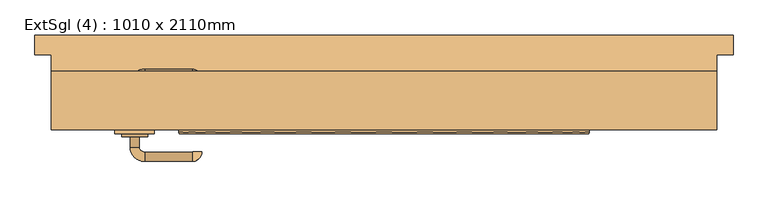
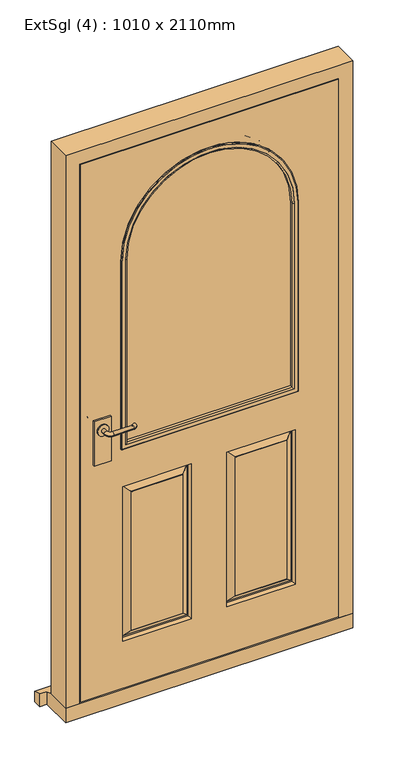
"""IFC4 building model written with IfcOpenShell, lengths in millimetres: door geometry, ExtSgl (4) : 1010 x 2110mm."""

from ifc_helpers import new_model, si_unit, point, frame, frame_2d, origin, place, context, project, spatial, polyline, circle_curve, ellipse_curve, trimmed, segment, composite_curve, outline, extrude, faceted_brep, source, transform, mapped, element, save
from ifc_brep_helpers import plane_surface, cylinder_surface, revolved_surface, advanced_brep


def extsgl_4_1010_x_2110mm_2d8e33de(model_context):
    return source(origin(), model_context, "Body", "SolidModel", [
        extrude(outline(composite_curve([segment(trimmed(circle_curve(frame_2d((1050.0, -378.5)), 20.0), [point((1050.0, -398.5))], [point((1050.0, -358.5))], False, "CARTESIAN"), True, "CONTINUOUS"), segment(trimmed(circle_curve(frame_2d((1050.0, -378.5)), 20.0), [point((1050.0, -358.5))], [point((1050.0, -398.5))], False, "CARTESIAN"), True, "CONTINUOUS")], self_intersect=False)), frame((0.0, -62.5929895, 0.0), z_axis=(0.0, 1.0, 0.0), x_axis=(0.0, 0.0, 1.0)), (0.0, 0.0, 1.0), 4.5929895),
        advanced_brep(
        [(-371.5, -62.5929895, 1050.0), (-385.5, -62.5929895, 1050.0), (-385.5, -78.0, 1050.0), (-371.5, -78.0, 1050.0), (-363.5, -100.0, 1050.0), (-363.5, -86.0, 1050.0), (-291.5, -100.0, 1050.0), (-291.5, -86.0, 1050.0), (-290.5, -85.0, 1050.0), (-276.5, -85.0, 1050.0)],
        [
            (0, 1, circle_curve(frame((-378.5, -62.5929895, 1050.0), z_axis=(0.0, 1.0, 0.0), x_axis=(-1.0, 0.0, 0.0)), 7.0)),
            (1, 0, circle_curve(frame((-378.5, -62.5929895, 1050.0), z_axis=(0.0, 1.0, 0.0), x_axis=(-1.0, 0.0, 0.0)), 7.0)),
            (1, 2),
            (2, 3, circle_curve(frame((-378.5, -78.0, 1050.0), z_axis=(0.0, 1.0, 0.0), x_axis=(-1.0, 0.0, 0.0)), 7.0)),
            (3, 0),
            (3, 2, circle_curve(frame((-378.5, -78.0, 1050.0), z_axis=(0.0, 1.0, 0.0), x_axis=(-1.0, 0.0, 0.0)), 7.0)),
            (4, 5, circle_curve(frame((-363.5, -93.0, 1050.0), z_axis=(-1.0, 0.0, 0.0), x_axis=(0.0, -1.0, 0.0)), 7.0)),
            (5, 3, circle_curve(frame((-363.5, -78.0, 1050.0), z_axis=(0.0, 0.0, -1.0), x_axis=(-1.0, 0.0, 0.0)), 8.0)),
            (2, 4, circle_curve(frame((-363.5, -78.0, 1050.0), z_axis=(0.0, 0.0, 1.0), x_axis=(-1.0, 0.0, 0.0)), 22.0)),
            (5, 4, circle_curve(frame((-363.5, -93.0, 1050.0), z_axis=(-1.0, 0.0, 0.0), x_axis=(0.0, -1.0, 0.0)), 7.0)),
            (4, 6),
            (6, 7, circle_curve(frame((-291.5, -93.0, 1050.0), z_axis=(-1.0, 0.0, 0.0), x_axis=(0.0, -1.0, 0.0)), 7.0)),
            (7, 5),
            (7, 6, circle_curve(frame((-291.5, -93.0, 1050.0), z_axis=(-1.0, 0.0, 0.0), x_axis=(0.0, -1.0, 0.0)), 7.0)),
            (8, 9, circle_curve(frame((-283.5, -85.0, 1050.0), z_axis=(0.0, 1.0, 0.0), x_axis=(1.0, 0.0, 0.0)), 7.0)),
            (9, 8, circle_curve(frame((-283.5, -85.0, 1050.0), z_axis=(0.0, 1.0, 0.0), x_axis=(1.0, 0.0, 0.0)), 7.0)),
            (8, 7, circle_curve(frame((-291.5, -85.0, 1050.0), z_axis=(0.0, 0.0, -1.0), x_axis=(0.0, -1.0, 0.0)), 1.0)),
            (6, 9, circle_curve(frame((-291.5, -85.0, 1050.0), z_axis=(0.0, 0.0, 1.0), x_axis=(0.0, -1.0, 0.0)), 15.0)),
        ],
        [
            plane_surface(frame((-378.5, -62.5929895, 1050.0), z_axis=(0.0, 1.0, 0.0), x_axis=(0.0, 0.0, 1.0))),
            cylinder_surface(frame((-378.5, -62.5929895, 1050.0), z_axis=(0.0, 1.0, 0.0), x_axis=(-1.0, 0.0, 0.0)), 7.0),
            revolved_surface(trimmed(ellipse_curve(frame((-378.5, -78.0, 1050.0), z_axis=(0.0, -1.0, 0.0), x_axis=(-1.0, 0.0, 0.0)), 7.0, 7.0), [point((-371.5, -78.0, 1050.0))], [point((-385.5, -78.0, 1050.0))], True, "CARTESIAN"), (-363.5, -78.0, 1050.0), (0.0, 0.0, -1.0)),
            revolved_surface(trimmed(ellipse_curve(frame((-378.5, -78.0, 1050.0), z_axis=(0.0, -1.0, 0.0), x_axis=(-1.0, 0.0, 0.0)), 7.0, 7.0), [point((-385.5, -78.0, 1050.0))], [point((-371.5, -78.0, 1050.0))], True, "CARTESIAN"), (-363.5, -78.0, 1050.0), (0.0, 0.0, -1.0)),
            cylinder_surface(frame((-363.5, -93.0, 1050.0), z_axis=(-1.0, 0.0, 0.0), x_axis=(0.0, -1.0, 0.0)), 7.0),
            plane_surface(frame((-283.5, -85.0, 1050.0), z_axis=(0.0, 1.0, 0.0), x_axis=(0.0, 0.0, 1.0))),
            revolved_surface(trimmed(ellipse_curve(frame((-291.5, -93.0, 1050.0), z_axis=(1.0, 0.0, 0.0), x_axis=(0.0, -1.0, 0.0)), 7.0, 7.0), [point((-291.5, -86.0, 1050.0))], [point((-291.5, -100.0, 1050.0))], True, "CARTESIAN"), (-291.5, -85.0, 1050.0), (0.0, 0.0, -1.0)),
            revolved_surface(trimmed(ellipse_curve(frame((-291.5, -93.0, 1050.0), z_axis=(1.0, 0.0, 0.0), x_axis=(0.0, -1.0, 0.0)), 7.0, 7.0), [point((-291.5, -100.0, 1050.0))], [point((-291.5, -86.0, 1050.0))], True, "CARTESIAN"), (-291.5, -85.0, 1050.0), (0.0, 0.0, -1.0)),
        ],
        [
            (0, [[1, 2]]),
            (1, [[3, 4, 5, -2]]),
            (1, [[-5, 6, -3, -1]]),
            (2, [[7, 8, -4, 9]]),
            (3, [[10, -9, -6, -8]]),
            (4, [[11, 12, 13, -7]]),
            (4, [[-13, 14, -11, -10]]),
            (5, [[15, 16]]),
            (6, [[-15, 17, -12, 18]]),
            (7, [[-16, -18, -14, -17]]),
        ],
    ),
        extrude(outline(polyline([(-348.5, -52.0), (-348.5, -58.0), (-408.5, -58.0), (-408.5, -52.0), (-348.5, -52.0)])), frame((0.0, 0.0, 925.0), z_axis=(0.0, 0.0, 1.0), x_axis=(1.0, 0.0, 0.0)), (0.0, 0.0, 1.0), 165.0),
        extrude(outline(composite_curve([segment(trimmed(circle_curve(frame_2d((1050.0, -378.5)), 20.0), [point((1050.0, -398.5))], [point((1050.0, -358.5))], False, "CARTESIAN"), True, "CONTINUOUS"), segment(trimmed(circle_curve(frame_2d((1050.0, -378.5)), 20.0), [point((1050.0, -358.5))], [point((1050.0, -398.5))], False, "CARTESIAN"), True, "CONTINUOUS")], self_intersect=False)), frame((0.0, -2.0, 0.0), z_axis=(0.0, 1.0, 0.0), x_axis=(0.0, 0.0, 1.0)), (0.0, 0.0, 1.0), 4.5929895),
        advanced_brep(
        [(-371.5, 2.5929895, 1050.0), (-385.5, 2.5929895, 1050.0), (-371.5, 18.0, 1050.0), (-385.5, 18.0, 1050.0), (-363.5, 40.0, 1050.0), (-363.5, 26.0, 1050.0), (-291.5, 26.0, 1050.0), (-291.5, 40.0, 1050.0), (-290.5, 25.0, 1050.0), (-276.5, 25.0, 1050.0)],
        [
            (0, 1, circle_curve(frame((-378.5, 2.5929895, 1050.0), z_axis=(0.0, -1.0, 0.0), x_axis=(-1.0, 0.0, 0.0)), 7.0)),
            (1, 0, circle_curve(frame((-378.5, 2.5929895, 1050.0), z_axis=(0.0, -1.0, 0.0), x_axis=(-1.0, 0.0, 0.0)), 7.0)),
            (0, 2),
            (2, 3, circle_curve(frame((-378.5, 18.0, 1050.0), z_axis=(0.0, -1.0, 0.0), x_axis=(-1.0, 0.0, 0.0)), 7.0)),
            (3, 1),
            (3, 2, circle_curve(frame((-378.5, 18.0, 1050.0), z_axis=(0.0, -1.0, 0.0), x_axis=(-1.0, 0.0, 0.0)), 7.0)),
            (4, 3, circle_curve(frame((-363.5, 18.0, 1050.0), z_axis=(0.0, 0.0, 1.0), x_axis=(-1.0, 0.0, 0.0)), 22.0)),
            (2, 5, circle_curve(frame((-363.5, 18.0, 1050.0), z_axis=(0.0, 0.0, -1.0), x_axis=(-1.0, 0.0, 0.0)), 8.0)),
            (5, 4, circle_curve(frame((-363.5, 33.0, 1050.0), z_axis=(-1.0, 0.0, 0.0), x_axis=(0.0, 1.0, 0.0)), 7.0)),
            (4, 5, circle_curve(frame((-363.5, 33.0, 1050.0), z_axis=(-1.0, 0.0, 0.0), x_axis=(0.0, 1.0, 0.0)), 7.0)),
            (5, 6),
            (6, 7, circle_curve(frame((-291.5, 33.0, 1050.0), z_axis=(-1.0, 0.0, 0.0), x_axis=(0.0, 1.0, 0.0)), 7.0)),
            (7, 4),
            (7, 6, circle_curve(frame((-291.5, 33.0, 1050.0), z_axis=(-1.0, 0.0, 0.0), x_axis=(0.0, 1.0, 0.0)), 7.0)),
            (8, 9, circle_curve(frame((-283.5, 25.0, 1050.0), z_axis=(0.0, -1.0, 0.0), x_axis=(1.0, 0.0, 0.0)), 7.0)),
            (9, 8, circle_curve(frame((-283.5, 25.0, 1050.0), z_axis=(0.0, -1.0, 0.0), x_axis=(1.0, 0.0, 0.0)), 7.0)),
            (9, 7, circle_curve(frame((-291.5, 25.0, 1050.0), z_axis=(0.0, 0.0, 1.0), x_axis=(0.0, 1.0, 0.0)), 15.0)),
            (6, 8, circle_curve(frame((-291.5, 25.0, 1050.0), z_axis=(0.0, 0.0, -1.0), x_axis=(0.0, 1.0, 0.0)), 1.0)),
        ],
        [
            plane_surface(frame((-378.5, 2.5929895, 1050.0), z_axis=(0.0, -1.0, 0.0), x_axis=(0.0, 0.0, 1.0))),
            cylinder_surface(frame((-378.5, 2.5929895, 1050.0), z_axis=(0.0, -1.0, 0.0), x_axis=(-1.0, 0.0, 0.0)), 7.0),
            revolved_surface(trimmed(ellipse_curve(frame((-378.5, 18.0, 1050.0), z_axis=(0.0, -1.0, 0.0), x_axis=(-1.0, 0.0, 0.0)), 7.0, 7.0), [point((-371.5, 18.0, 1050.0))], [point((-385.5, 18.0, 1050.0))], True, "CARTESIAN"), (-363.5, 18.0, 1050.0), (0.0, 0.0, -1.0)),
            revolved_surface(trimmed(ellipse_curve(frame((-378.5, 18.0, 1050.0), z_axis=(0.0, -1.0, 0.0), x_axis=(-1.0, 0.0, 0.0)), 7.0, 7.0), [point((-385.5, 18.0, 1050.0))], [point((-371.5, 18.0, 1050.0))], True, "CARTESIAN"), (-363.5, 18.0, 1050.0), (0.0, 0.0, -1.0)),
            cylinder_surface(frame((-363.5, 33.0, 1050.0), z_axis=(-1.0, 0.0, 0.0), x_axis=(0.0, 1.0, 0.0)), 7.0),
            plane_surface(frame((-283.5, 25.0, 1050.0), z_axis=(0.0, -1.0, 0.0), x_axis=(0.0, 0.0, 1.0))),
            revolved_surface(trimmed(ellipse_curve(frame((-291.5, 33.0, 1050.0), z_axis=(-1.0, 0.0, 0.0), x_axis=(0.0, 1.0, 0.0)), 7.0, 7.0), [point((-291.5, 26.0, 1050.0))], [point((-291.5, 40.0, 1050.0))], True, "CARTESIAN"), (-291.5, 25.0, 1050.0), (0.0, 0.0, -1.0)),
            revolved_surface(trimmed(ellipse_curve(frame((-291.5, 33.0, 1050.0), z_axis=(-1.0, 0.0, 0.0), x_axis=(0.0, 1.0, 0.0)), 7.0, 7.0), [point((-291.5, 40.0, 1050.0))], [point((-291.5, 26.0, 1050.0))], True, "CARTESIAN"), (-291.5, 25.0, 1050.0), (0.0, 0.0, -1.0)),
        ],
        [
            (0, [[1, 2]]),
            (1, [[-1, 3, 4, 5]]),
            (1, [[-2, -5, 6, -3]]),
            (2, [[7, -4, 8, 9]]),
            (3, [[-8, -6, -7, 10]]),
            (4, [[-9, 11, 12, 13]]),
            (4, [[-10, -13, 14, -11]]),
            (5, [[15, 16]]),
            (6, [[17, -12, 18, -16]]),
            (7, [[-18, -14, -17, -15]]),
        ],
    ),
        extrude(outline(polyline([(-348.5, -8.0), (-408.5, -8.0), (-408.5, -2.0), (-348.5, -2.0), (-348.5, -8.0)])), frame((0.0, 0.0, 925.0), z_axis=(0.0, 0.0, 1.0), x_axis=(1.0, 0.0, 0.0)), (0.0, 0.0, 1.0), 165.0),
        faceted_brep([(434.5, 37.0, 54.5), (505.0, 37.0, 54.5), (505.0, -52.0, 54.5), (456.5, -52.0, 54.5), (456.5, -5.0, 54.5), (434.5, -5.0, 54.5), (434.5, 37.0, 2039.5), (-434.5, 37.0, 2039.5), (-434.5, 37.0, 54.5), (-505.0, 37.0, 54.5), (-505.0, 37.0, 2110.0), (505.0, 37.0, 2110.0), (505.0, -52.0, 2110.0), (-505.0, -52.0, 2110.0), (-505.0, -52.0, 54.5), (-456.5, -52.0, 54.5), (-456.5, -52.0, 2061.5), (456.5, -52.0, 2061.5), (456.5, -5.0, 2061.5), (-456.5, -5.0, 2061.5), (-456.5, -5.0, 54.5), (-434.5, -5.0, 54.5), (-434.5, -5.0, 2039.5), (434.5, -5.0, 2039.5)], [[[0, 1, 2, 3, 4, 5]], [[1, 0, 6, 7, 8, 9, 10, 11]], [[2, 1, 11, 12]], [[3, 2, 12, 13, 14, 15, 16, 17]], [[4, 3, 17, 18]], [[5, 4, 18, 19, 20, 21, 22, 23]], [[0, 5, 23, 6]], [[8, 7, 22, 21]], [[9, 8, 21, 20, 15, 14]], [[10, 9, 14, 13]], [[16, 15, 20, 19]], [[11, 10, 13, 12]], [[17, 16, 19, 18]], [[7, 6, 23, 22]]]),
        extrude(outline(composite_curve([segment(polyline([(958.5, -303.5), (958.5, 303.5), (1655.0, 303.5)]), True, "CONTINUOUS"), segment(trimmed(circle_curve(frame_2d((1655.0, 0.0)), 303.5), [point((1655.0, 303.5))], [point((1655.0, -303.5))], False, "CARTESIAN"), True, "CONTINUOUS"), segment(polyline([(1655.0, -303.5), (958.5, -303.5)]), True, "CONTINUOUS")], self_intersect=False)), frame((0.0, -42.0, 0.0), z_axis=(0.0, 1.0, 0.0), x_axis=(0.0, 0.0, 1.0)), (0.0, 0.0, 1.0), 24.0),
        faceted_brep([(530.0, 92.0, 0.0), (530.0, 92.0, 38.5947221), (530.0, 62.0, 47.2703282), (530.0, 62.0, 0.0), (-530.0, 92.0, 38.5947221), (-530.0, 92.0, 0.0), (-530.0, 62.0, 0.0), (-530.0, 62.0, 47.2703282), (505.0, 62.0, 0.0), (505.0, -52.0, 0.0), (-505.0, -52.0, 0.0), (-505.0, 62.0, 0.0), (-505.0, 62.0, 47.2703282), (-505.0, 37.0, 54.5), (505.0, 37.0, 54.5), (505.0, 62.0, 47.2703282), (-505.0, -52.0, 54.5), (505.0, -52.0, 54.5)], [[[0, 1, 2, 3]], [[4, 5, 6, 7]], [[5, 0, 3, 8, 9, 10, 11, 6]], [[1, 0, 5, 4]], [[1, 4, 7, 12, 13, 14, 15, 2]], [[13, 16, 17, 14]], [[16, 10, 9, 17]], [[12, 11, 10, 16, 13]], [[11, 12, 7, 6]], [[8, 15, 14, 17, 9]], [[15, 8, 3, 2]]]),
        advanced_brep(
        [(453.5, -52.0, 58.5), (453.5, -52.0, 2058.5), (-454.4250294, -52.0, 2058.5), (-454.4250294, -52.0, 58.5), (-303.5, -52.0, 958.5), (-303.5, -52.0, 1655.0), (303.5, -52.0, 1655.0), (303.5, -52.0, 958.5), (-62.5, -52.0, 808.5), (-62.5, -52.0, 233.5), (-303.5, -52.0, 233.5), (-303.5, -52.0, 808.5), (303.5, -52.0, 808.5), (303.5, -52.0, 233.5), (62.5, -52.0, 233.5), (62.5, -52.0, 808.5), (-92.5, -52.0, 263.5), (-92.5, -52.0, 778.5), (-273.5, -52.0, 778.5), (-273.5, -52.0, 263.5), (273.5, -52.0, 263.5), (273.5, -52.0, 778.5), (92.5, -52.0, 778.5), (92.5, -52.0, 263.5), (453.5, -8.0, 58.5), (-454.4250294, -8.0, 58.5), (-454.4250294, -8.0, 2058.5), (453.5, -8.0, 2058.5), (-303.5, -8.0, 958.5), (303.5, -8.0, 958.5), (303.5, -8.0, 1655.0), (-303.5, -8.0, 1655.0), (62.5, -8.0, 808.5), (62.5, -8.0, 233.5), (303.5, -8.0, 233.5), (303.5, -8.0, 808.5), (-303.5, -8.0, 808.5), (-303.5, -8.0, 233.5), (-62.5, -8.0, 233.5), (-62.5, -8.0, 808.5), (92.5, -8.0, 263.5), (92.5, -8.0, 778.5), (273.5, -8.0, 778.5), (273.5, -8.0, 263.5), (-273.5, -8.0, 263.5), (-273.5, -8.0, 778.5), (-92.5, -8.0, 778.5), (-92.5, -8.0, 263.5), (65.5, -23.0, 805.5), (65.5, -23.0, 236.5), (90.5, -9.0, 780.5), (90.5, -9.0, 261.5), (70.5, -23.0, 241.5), (70.5, -23.0, 800.5), (92.5, -9.0, 263.5), (92.5, -9.0, 778.5), (300.5, -23.0, 236.5), (275.5, -9.0, 261.5), (295.5, -23.0, 241.5), (273.5, -9.0, 263.5), (300.5, -23.0, 805.5), (275.5, -9.0, 780.5), (295.5, -23.0, 800.5), (273.5, -9.0, 778.5), (-300.5, -23.0, 805.5), (-300.5, -23.0, 236.5), (-275.5, -9.0, 780.5), (-275.5, -9.0, 261.5), (-295.5, -23.0, 241.5), (-295.5, -23.0, 800.5), (-273.5, -9.0, 263.5), (-273.5, -9.0, 778.5), (-65.5, -23.0, 236.5), (-90.5, -9.0, 261.5), (-70.5, -23.0, 241.5), (-92.5, -9.0, 263.5), (-65.5, -23.0, 805.5), (-90.5, -9.0, 780.5), (-70.5, -23.0, 800.5), (-92.5, -9.0, 778.5), (-92.5, -51.0, 263.5), (-92.5, -51.0, 778.5), (-70.5, -37.0, 241.5), (-70.5, -37.0, 800.5), (-90.5, -51.0, 780.5), (-90.5, -51.0, 261.5), (-65.5, -37.0, 805.5), (-65.5, -37.0, 236.5), (-273.5, -51.0, 778.5), (-295.5, -37.0, 800.5), (-275.5, -51.0, 780.5), (-300.5, -37.0, 805.5), (-273.5, -51.0, 263.5), (-295.5, -37.0, 241.5), (-275.5, -51.0, 261.5), (-300.5, -37.0, 236.5), (300.5, -37.0, 805.5), (300.5, -37.0, 236.5), (275.5, -51.0, 780.5), (275.5, -51.0, 261.5), (295.5, -37.0, 241.5), (295.5, -37.0, 800.5), (273.5, -51.0, 263.5), (273.5, -51.0, 778.5), (65.5, -37.0, 236.5), (90.5, -51.0, 261.5), (70.5, -37.0, 241.5), (92.5, -51.0, 263.5), (65.5, -37.0, 805.5), (90.5, -51.0, 780.5), (70.5, -37.0, 800.5), (92.5, -51.0, 778.5)],
        [
            (0, 1),
            (1, 2),
            (2, 3),
            (3, 0),
            (4, 5),
            (5, 6, circle_curve(frame((0.0, -52.0, 1655.0), z_axis=(0.0, 1.0, 0.0), x_axis=(1.0, 0.0, 0.0)), 303.5)),
            (6, 7),
            (7, 4),
            (8, 9),
            (9, 10),
            (10, 11),
            (11, 8),
            (12, 13),
            (13, 14),
            (14, 15),
            (15, 12),
            (16, 17),
            (17, 18),
            (18, 19),
            (19, 16),
            (20, 21),
            (21, 22),
            (22, 23),
            (23, 20),
            (24, 25),
            (25, 26),
            (26, 27),
            (27, 24),
            (28, 29),
            (29, 30),
            (30, 31, circle_curve(frame((0.0, -8.0, 1655.0), z_axis=(0.0, -1.0, 0.0), x_axis=(1.0, 0.0, 0.0)), 303.5)),
            (31, 28),
            (32, 33),
            (33, 34),
            (34, 35),
            (35, 32),
            (36, 37),
            (37, 38),
            (38, 39),
            (39, 36),
            (40, 41),
            (41, 42),
            (42, 43),
            (43, 40),
            (44, 45),
            (45, 46),
            (46, 47),
            (47, 44),
            (0, 24),
            (27, 1),
            (26, 2),
            (25, 3),
            (4, 28),
            (31, 5),
            (30, 6),
            (29, 7),
            (48, 49),
            (49, 33),
            (32, 48),
            (50, 51),
            (51, 52),
            (52, 53),
            (53, 50),
            (40, 54),
            (54, 55),
            (55, 41),
            (49, 56),
            (56, 34),
            (51, 57),
            (57, 58),
            (58, 52),
            (43, 59),
            (59, 54),
            (56, 60),
            (60, 35),
            (57, 61),
            (61, 62),
            (62, 58),
            (42, 63),
            (63, 59),
            (60, 48),
            (62, 53),
            (61, 50),
            (63, 55),
            (64, 65),
            (65, 37),
            (36, 64),
            (66, 67),
            (67, 68),
            (68, 69),
            (69, 66),
            (44, 70),
            (70, 71),
            (71, 45),
            (65, 72),
            (72, 38),
            (67, 73),
            (73, 74),
            (74, 68),
            (47, 75),
            (75, 70),
            (72, 76),
            (76, 39),
            (73, 77),
            (77, 78),
            (78, 74),
            (46, 79),
            (79, 75),
            (76, 64),
            (78, 69),
            (77, 66),
            (79, 71),
            (80, 81),
            (81, 17),
            (16, 80),
            (82, 83),
            (83, 84),
            (84, 85),
            (85, 82),
            (8, 86),
            (86, 87),
            (87, 9),
            (81, 88),
            (88, 18),
            (83, 89),
            (89, 90),
            (90, 84),
            (11, 91),
            (91, 86),
            (88, 92),
            (92, 19),
            (89, 93),
            (93, 94),
            (94, 90),
            (10, 95),
            (95, 91),
            (92, 80),
            (94, 85),
            (93, 82),
            (95, 87),
            (96, 97),
            (97, 13),
            (12, 96),
            (98, 99),
            (99, 100),
            (100, 101),
            (101, 98),
            (20, 102),
            (102, 103),
            (103, 21),
            (97, 104),
            (104, 14),
            (99, 105),
            (105, 106),
            (106, 100),
            (23, 107),
            (107, 102),
            (104, 108),
            (108, 15),
            (105, 109),
            (109, 110),
            (110, 106),
            (22, 111),
            (111, 107),
            (108, 96),
            (110, 101),
            (109, 98),
            (111, 103),
        ],
        [
            plane_surface(frame((453.5, -52.0, 58.5), z_axis=(0.0, -1.0, 0.0), x_axis=(0.0, 0.0, 1.0))),
            plane_surface(frame((453.5, -8.0, 58.5), z_axis=(0.0, 1.0, 0.0), x_axis=(0.0, 0.0, -1.0))),
            plane_surface(frame((453.5, -52.0, 58.5), z_axis=(1.0, 0.0, 0.0), x_axis=(0.0, 1.0, 0.0))),
            plane_surface(frame((453.5, -52.0, 2058.5), z_axis=(0.0, 0.0, 1.0), x_axis=(0.0, 1.0, 0.0))),
            plane_surface(frame((-454.4250294, -52.0, 2058.5), z_axis=(-1.0, 0.0, 0.0), x_axis=(0.0, 1.0, 0.0))),
            plane_surface(frame((-454.4250294, -52.0, 58.5), z_axis=(0.0, 0.0, -1.0), x_axis=(0.0, 1.0, 0.0))),
            plane_surface(frame((-303.5, -52.0, 958.5), z_axis=(1.0, 0.0, 0.0), x_axis=(0.0, 1.0, 0.0))),
            revolved_surface(polyline([(303.5, -8.0, 1655.0), (303.5, -52.0, 1655.0)]), (0.0, -52.0, 1655.0), (0.0, 1.0, 0.0)),
            plane_surface(frame((303.5, -52.0, 1655.0), z_axis=(-1.0, 0.0, 0.0), x_axis=(0.0, 1.0, 0.0))),
            plane_surface(frame((303.5, -52.0, 958.5), z_axis=(0.0, 0.0, 1.0), x_axis=(0.0, 1.0, 0.0))),
            plane_surface(frame((62.5, -8.0, 808.5), z_axis=(0.9805806756909202, 0.19611613513818407, 0.0), x_axis=(0.0, 0.0, -1.0))),
            plane_surface(frame((70.5, -23.0, 800.5), z_axis=(-0.5734623443633278, 0.8192319205190408, 0.0), x_axis=(0.0, 0.0, -1.0))),
            plane_surface(frame((92.5, -9.0, 778.5), z_axis=(-1.0, 0.0, 0.0), x_axis=(0.0, 0.0, -1.0))),
            plane_surface(frame((62.5, -8.0, 233.5), z_axis=(0.0, 0.19611613513818724, 0.9805806756909196), x_axis=(1.0, 0.0, 0.0))),
            plane_surface(frame((70.5, -23.0, 241.5), z_axis=(0.0, 0.819231920519039, -0.5734623443633305), x_axis=(1.0, 0.0, 0.0))),
            plane_surface(frame((92.5, -9.0, 263.5), z_axis=(0.0, 0.0, -1.0), x_axis=(1.0, 0.0, 0.0))),
            plane_surface(frame((303.5, -8.0, 233.5), z_axis=(-0.9805806756909189, 0.1961161351381904, 0.0), x_axis=(0.0, 0.0, 1.0))),
            plane_surface(frame((295.5, -23.0, 241.5), z_axis=(0.5734623443633332, 0.8192319205190371, 0.0), x_axis=(0.0, 0.0, 1.0))),
            plane_surface(frame((273.5, -9.0, 263.5), z_axis=(1.0, 0.0, 0.0), x_axis=(0.0, 0.0, 1.0))),
            plane_surface(frame((303.5, -8.0, 808.5), z_axis=(0.0, 0.19611613513818724, -0.9805806756909196), x_axis=(-1.0, 0.0, 0.0))),
            plane_surface(frame((300.5, -23.0, 805.5), z_axis=(0.0, 1.0, 0.0), x_axis=(-1.0, 0.0, 0.0))),
            plane_surface(frame((295.5, -23.0, 800.5), z_axis=(0.0, 0.819231920519039, 0.5734623443633305), x_axis=(-1.0, 0.0, 0.0))),
            plane_surface(frame((275.5, -9.0, 780.5), z_axis=(0.0, 1.0, 0.0), x_axis=(-1.0, 0.0, 0.0))),
            plane_surface(frame((273.5, -9.0, 778.5), z_axis=(0.0, 0.0, 1.0), x_axis=(-1.0, 0.0, 0.0))),
            plane_surface(frame((-303.5, -8.0, 808.5), z_axis=(0.9805806756909202, 0.19611613513818407, 0.0), x_axis=(0.0, 0.0, -1.0))),
            plane_surface(frame((-295.5, -23.0, 800.5), z_axis=(-0.5734623443633278, 0.8192319205190408, 0.0), x_axis=(0.0, 0.0, -1.0))),
            plane_surface(frame((-273.5, -9.0, 778.5), z_axis=(-1.0, 0.0, 0.0), x_axis=(0.0, 0.0, -1.0))),
            plane_surface(frame((-303.5, -8.0, 233.5), z_axis=(0.0, 0.19611613513818724, 0.9805806756909196), x_axis=(1.0, 0.0, 0.0))),
            plane_surface(frame((-295.5, -23.0, 241.5), z_axis=(0.0, 0.819231920519039, -0.5734623443633305), x_axis=(1.0, 0.0, 0.0))),
            plane_surface(frame((-273.5, -9.0, 263.5), z_axis=(0.0, 0.0, -1.0), x_axis=(1.0, 0.0, 0.0))),
            plane_surface(frame((-62.5, -8.0, 233.5), z_axis=(-0.9805806756909189, 0.1961161351381904, 0.0), x_axis=(0.0, 0.0, 1.0))),
            plane_surface(frame((-70.5, -23.0, 241.5), z_axis=(0.5734623443633332, 0.8192319205190371, 0.0), x_axis=(0.0, 0.0, 1.0))),
            plane_surface(frame((-92.5, -9.0, 263.5), z_axis=(1.0, 0.0, 0.0), x_axis=(0.0, 0.0, 1.0))),
            plane_surface(frame((-62.5, -8.0, 808.5), z_axis=(0.0, 0.19611613513818724, -0.9805806756909196), x_axis=(-1.0, 0.0, 0.0))),
            plane_surface(frame((-65.5, -23.0, 805.5), z_axis=(0.0, 1.0, 0.0), x_axis=(-1.0, 0.0, 0.0))),
            plane_surface(frame((-70.5, -23.0, 800.5), z_axis=(0.0, 0.819231920519039, 0.5734623443633305), x_axis=(-1.0, 0.0, 0.0))),
            plane_surface(frame((-90.5, -9.0, 780.5), z_axis=(0.0, 1.0, 0.0), x_axis=(-1.0, 0.0, 0.0))),
            plane_surface(frame((-92.5, -9.0, 778.5), z_axis=(0.0, 0.0, 1.0), x_axis=(-1.0, 0.0, 0.0))),
            plane_surface(frame((-92.5, -52.0, 263.5), z_axis=(1.0, 0.0, 0.0), x_axis=(0.0, 0.0, 1.0))),
            plane_surface(frame((-90.5, -51.0, 261.5), z_axis=(0.5734623443633224, -0.8192319205190447, 0.0), x_axis=(0.0, 0.0, 1.0))),
            plane_surface(frame((-65.5, -37.0, 236.5), z_axis=(-0.9805806756909214, -0.1961161351381778, 0.0), x_axis=(0.0, 0.0, 1.0))),
            plane_surface(frame((-92.5, -52.0, 778.5), z_axis=(0.0, 0.0, 1.0), x_axis=(-1.0, 0.0, 0.0))),
            plane_surface(frame((-90.5, -51.0, 780.5), z_axis=(0.0, -0.8192319205190428, 0.5734623443633251), x_axis=(-1.0, 0.0, 0.0))),
            plane_surface(frame((-65.5, -37.0, 805.5), z_axis=(0.0, -0.19611613513818096, -0.9805806756909208), x_axis=(-1.0, 0.0, 0.0))),
            plane_surface(frame((-273.5, -52.0, 778.5), z_axis=(-1.0, 0.0, 0.0), x_axis=(0.0, 0.0, -1.0))),
            plane_surface(frame((-275.5, -51.0, 780.5), z_axis=(-0.5734623443633277, -0.8192319205190409, 0.0), x_axis=(0.0, 0.0, -1.0))),
            plane_surface(frame((-300.5, -37.0, 805.5), z_axis=(0.9805806756909201, -0.19611613513818418, 0.0), x_axis=(0.0, 0.0, -1.0))),
            plane_surface(frame((-273.5, -52.0, 263.5), z_axis=(0.0, 0.0, -1.0), x_axis=(1.0, 0.0, 0.0))),
            plane_surface(frame((-273.5, -51.0, 263.5), z_axis=(0.0, -1.0, 0.0), x_axis=(1.0, 0.0, 0.0))),
            plane_surface(frame((-275.5, -51.0, 261.5), z_axis=(0.0, -0.8192319205190429, -0.573462344363325), x_axis=(1.0, 0.0, 0.0))),
            plane_surface(frame((-295.5, -37.0, 241.5), z_axis=(0.0, -1.0, 0.0), x_axis=(1.0, 0.0, 0.0))),
            plane_surface(frame((-300.5, -37.0, 236.5), z_axis=(0.0, -0.19611613513818107, 0.9805806756909208), x_axis=(1.0, 0.0, 0.0))),
            plane_surface(frame((303.5, -52.0, 808.5), z_axis=(-0.9805806756909202, -0.19611613513818407, 0.0), x_axis=(0.0, 0.0, -1.0))),
            plane_surface(frame((295.5, -37.0, 800.5), z_axis=(0.5734623443633278, -0.8192319205190408, 0.0), x_axis=(0.0, 0.0, -1.0))),
            plane_surface(frame((273.5, -51.0, 778.5), z_axis=(1.0, 0.0, 0.0), x_axis=(0.0, 0.0, -1.0))),
            plane_surface(frame((303.5, -52.0, 233.5), z_axis=(0.0, -0.19611613513818724, 0.9805806756909196), x_axis=(-1.0, 0.0, 0.0))),
            plane_surface(frame((295.5, -37.0, 241.5), z_axis=(0.0, -0.819231920519039, -0.5734623443633305), x_axis=(-1.0, 0.0, 0.0))),
            plane_surface(frame((273.5, -51.0, 263.5), z_axis=(0.0, 0.0, -1.0), x_axis=(-1.0, 0.0, 0.0))),
            plane_surface(frame((62.5, -52.0, 233.5), z_axis=(0.9805806756909189, -0.19611613513819046, 0.0), x_axis=(0.0, 0.0, 1.0))),
            plane_surface(frame((70.5, -37.0, 241.5), z_axis=(-0.5734623443633331, -0.8192319205190371, 0.0), x_axis=(0.0, 0.0, 1.0))),
            plane_surface(frame((92.5, -51.0, 263.5), z_axis=(-1.0, 0.0, 0.0), x_axis=(0.0, 0.0, 1.0))),
            plane_surface(frame((62.5, -52.0, 808.5), z_axis=(0.0, -0.19611613513818735, -0.9805806756909196), x_axis=(1.0, 0.0, 0.0))),
            plane_surface(frame((65.5, -37.0, 805.5), z_axis=(0.0, -1.0, 0.0), x_axis=(1.0, 0.0, 0.0))),
            plane_surface(frame((70.5, -37.0, 800.5), z_axis=(0.0, -0.819231920519039, 0.5734623443633303), x_axis=(1.0, 0.0, 0.0))),
            plane_surface(frame((90.5, -51.0, 780.5), z_axis=(0.0, -1.0, 0.0), x_axis=(1.0, 0.0, 0.0))),
            plane_surface(frame((92.5, -51.0, 778.5), z_axis=(0.0, 0.0, 1.0), x_axis=(1.0, 0.0, 0.0))),
        ],
        [
            (0, [[1, 2, 3, 4], [5, 6, 7, 8], [9, 10, 11, 12], [13, 14, 15, 16]]),
            (0, [[17, 18, 19, 20]]),
            (0, [[21, 22, 23, 24]]),
            (1, [[25, 26, 27, 28], [29, 30, 31, 32], [33, 34, 35, 36], [37, 38, 39, 40]]),
            (1, [[41, 42, 43, 44]]),
            (1, [[45, 46, 47, 48]]),
            (2, [[-1, 49, -28, 50]]),
            (3, [[-2, -50, -27, 51]]),
            (4, [[-3, -51, -26, 52]]),
            (5, [[-4, -52, -25, -49]]),
            (6, [[-5, 53, -32, 54]]),
            (7, [[-6, -54, -31, 55]]),
            (8, [[-7, -55, -30, 56]]),
            (9, [[-8, -56, -29, -53]]),
            (10, [[57, 58, -33, 59]]),
            (11, [[60, 61, 62, 63]]),
            (12, [[64, 65, 66, -41]]),
            (13, [[-58, 67, 68, -34]]),
            (14, [[-61, 69, 70, 71]]),
            (15, [[-64, -44, 72, 73]]),
            (16, [[-68, 74, 75, -35]]),
            (17, [[-70, 76, 77, 78]]),
            (18, [[-72, -43, 79, 80]]),
            (19, [[-59, -36, -75, 81]]),
            (20, [[-57, -81, -74, -67], [-62, -71, -78, 82]]),
            (21, [[-63, -82, -77, 83]]),
            (22, [[-60, -83, -76, -69], [-65, -73, -80, 84]]),
            (23, [[-66, -84, -79, -42]]),
            (24, [[85, 86, -37, 87]]),
            (25, [[88, 89, 90, 91]]),
            (26, [[92, 93, 94, -45]]),
            (27, [[-86, 95, 96, -38]]),
            (28, [[-89, 97, 98, 99]]),
            (29, [[-92, -48, 100, 101]]),
            (30, [[-96, 102, 103, -39]]),
            (31, [[-98, 104, 105, 106]]),
            (32, [[-100, -47, 107, 108]]),
            (33, [[-87, -40, -103, 109]]),
            (34, [[-85, -109, -102, -95], [-90, -99, -106, 110]]),
            (35, [[-91, -110, -105, 111]]),
            (36, [[-88, -111, -104, -97], [-93, -101, -108, 112]]),
            (37, [[-94, -112, -107, -46]]),
            (38, [[113, 114, -17, 115]]),
            (39, [[116, 117, 118, 119]]),
            (40, [[120, 121, 122, -9]]),
            (41, [[-114, 123, 124, -18]]),
            (42, [[-117, 125, 126, 127]]),
            (43, [[-120, -12, 128, 129]]),
            (44, [[-124, 130, 131, -19]]),
            (45, [[-126, 132, 133, 134]]),
            (46, [[-128, -11, 135, 136]]),
            (47, [[-115, -20, -131, 137]]),
            (48, [[-118, -127, -134, 138], [-113, -137, -130, -123]]),
            (49, [[-119, -138, -133, 139]]),
            (50, [[-121, -129, -136, 140], [-116, -139, -132, -125]]),
            (51, [[-122, -140, -135, -10]]),
            (52, [[141, 142, -13, 143]]),
            (53, [[144, 145, 146, 147]]),
            (54, [[148, 149, 150, -21]]),
            (55, [[-142, 151, 152, -14]]),
            (56, [[-145, 153, 154, 155]]),
            (57, [[-148, -24, 156, 157]]),
            (58, [[-152, 158, 159, -15]]),
            (59, [[-154, 160, 161, 162]]),
            (60, [[-156, -23, 163, 164]]),
            (61, [[-143, -16, -159, 165]]),
            (62, [[-141, -165, -158, -151], [-146, -155, -162, 166]]),
            (63, [[-147, -166, -161, 167]]),
            (64, [[-144, -167, -160, -153], [-149, -157, -164, 168]]),
            (65, [[-150, -168, -163, -22]]),
        ],
    ),
        advanced_brep(
        [(311.5, -56.0, 950.5), (311.5, -52.0, 950.5), (311.5, -52.0, 1655.0), (311.5, -56.0, 1655.0), (309.5, -58.0, 952.5), (309.5, -58.0, 1655.0), (291.5, -53.0, 970.5), (296.5, -58.0, 965.5), (296.5, -58.0, 1655.0), (291.5, -53.0, 1655.0), (291.5, -42.0, 970.5), (291.5, -42.0, 1655.0), (303.5, -52.0, 958.5), (303.5, -42.0, 958.5), (303.5, -42.0, 1655.0), (303.5, -52.0, 1655.0), (-311.5, -56.0, 1655.0), (-311.5, -52.0, 1655.0), (-309.5, -58.0, 1655.0), (-309.5, -58.0, 952.5), (-296.5, -58.0, 1655.0), (-296.5, -58.0, 965.5), (-291.5, -53.0, 1655.0), (-291.5, -42.0, 1655.0), (-303.5, -42.0, 1655.0), (-303.5, -42.0, 958.5), (-291.5, -42.0, 970.5), (-303.5, -52.0, 1655.0), (-311.5, -52.0, 950.5), (-303.5, -52.0, 958.5), (-311.5, -56.0, 950.5), (-291.5, -53.0, 970.5)],
        [
            (0, 1),
            (1, 2),
            (2, 3),
            (3, 0),
            (4, 0, ellipse_curve(frame((309.5, -56.0, 952.5), z_axis=(0.707106781186543, 0.0, 0.707106781186552), x_axis=(0.707106781186552, 0.0, -0.707106781186543)), 2.8284271, 2.0)),
            (3, 5, circle_curve(frame((309.5, -56.0, 1655.0), z_axis=(0.0, 0.0, -1.0), x_axis=(1.0, 0.0, 0.0)), 2.0)),
            (5, 4),
            (6, 7, ellipse_curve(frame((296.5, -53.0, 965.5), z_axis=(0.707106781186543, 0.0, 0.707106781186552), x_axis=(0.707106781186552, 0.0, -0.707106781186543)), 7.0710678, 5.0)),
            (7, 8),
            (8, 9, circle_curve(frame((296.5, -53.0, 1655.0), z_axis=(0.0, 0.0, -1.0), x_axis=(1.0, 0.0, 0.0)), 5.0)),
            (9, 6),
            (10, 6),
            (9, 11),
            (11, 10),
            (12, 13),
            (13, 14),
            (14, 15),
            (15, 12),
            (16, 3, circle_curve(frame((0.0, -56.0, 1655.0), z_axis=(0.0, 1.0, 0.0), x_axis=(1.0, 0.0, 0.0)), 311.5)),
            (2, 17, circle_curve(frame((0.0, -52.0, 1655.0), z_axis=(0.0, -1.0, 0.0), x_axis=(1.0, 0.0, 0.0)), 311.5)),
            (17, 16),
            (18, 5, circle_curve(frame((0.0, -58.0, 1655.0), z_axis=(0.0, 1.0, 0.0), x_axis=(1.0, 0.0, 0.0)), 309.5)),
            (16, 18, circle_curve(frame((-309.5, -56.0, 1655.0), z_axis=(0.0, 0.0, 1.0), x_axis=(-1.0, 0.0, 0.0)), 2.0)),
            (18, 19),
            (19, 4),
            (20, 8, circle_curve(frame((0.0, -58.0, 1655.0), z_axis=(0.0, 1.0, 0.0), x_axis=(1.0, 0.0, 0.0)), 296.5)),
            (7, 21),
            (21, 20),
            (22, 9, circle_curve(frame((0.0, -53.0, 1655.0), z_axis=(0.0, 1.0, 0.0), x_axis=(1.0, 0.0, 0.0)), 291.5)),
            (20, 22, circle_curve(frame((-296.5, -53.0, 1655.0), z_axis=(0.0, 0.0, 1.0), x_axis=(-1.0, 0.0, 0.0)), 5.0)),
            (23, 11, circle_curve(frame((0.0, -42.0, 1655.0), z_axis=(0.0, 1.0, 0.0), x_axis=(1.0, 0.0, 0.0)), 291.5)),
            (22, 23),
            (24, 14, circle_curve(frame((0.0, -42.0, 1655.0), z_axis=(0.0, 1.0, 0.0), x_axis=(1.0, 0.0, 0.0)), 303.5)),
            (13, 25),
            (25, 24),
            (23, 26),
            (26, 10),
            (27, 15, circle_curve(frame((0.0, -52.0, 1655.0), z_axis=(0.0, 1.0, 0.0), x_axis=(1.0, 0.0, 0.0)), 303.5)),
            (24, 27),
            (1, 28),
            (28, 17),
            (27, 29),
            (29, 12),
            (28, 30),
            (30, 16),
            (30, 19, ellipse_curve(frame((-309.5, -56.0, 952.5), z_axis=(-0.7071067811865519, 0.0, 0.707106781186543), x_axis=(0.7071067811865429, 0.0, 0.707106781186552)), 2.8284271, 2.0)),
            (21, 31, ellipse_curve(frame((-296.5, -53.0, 965.5), z_axis=(-0.7071067811865519, 0.0, 0.707106781186543), x_axis=(0.7071067811865429, 0.0, 0.707106781186552)), 7.0710678, 5.0)),
            (31, 22),
            (31, 26),
            (25, 29),
            (0, 30),
            (6, 31),
        ],
        [
            plane_surface(frame((311.5, -52.0, 950.5), z_axis=(1.0, 0.0, 0.0), x_axis=(0.0, 0.0, 1.0))),
            cylinder_surface(frame((309.5, -56.0, 958.5), z_axis=(0.0, 0.0, -1.0), x_axis=(1.0, 0.0, 0.0)), 2.0),
            cylinder_surface(frame((296.5, -53.0, 958.5), z_axis=(0.0, 0.0, -1.0), x_axis=(1.0, 0.0, 0.0)), 5.0),
            plane_surface(frame((291.5, -53.0, 970.5), z_axis=(-1.0, 0.0, 0.0), x_axis=(0.0, 0.0, 1.0))),
            plane_surface(frame((303.5, -42.0, 958.5), z_axis=(1.0, 0.0, 0.0), x_axis=(0.0, 0.0, 1.0))),
            cylinder_surface(frame((0.0, -52.0, 1655.0), z_axis=(0.0, -1.0, 0.0), x_axis=(1.0, 0.0, 0.0)), 311.5),
            revolved_surface(trimmed(ellipse_curve(frame((309.5, -56.0, 1655.0), z_axis=(0.0, 0.0, -1.0), x_axis=(1.0, 0.0, 0.0)), 2.0, 2.0), [point((311.5, -56.0, 1655.0))], [point((309.5, -58.0, 1655.0))], True, "CARTESIAN"), (0.0, -52.0, 1655.0), (0.0, -1.0, 0.0)),
            plane_surface(frame((0.0, -58.0, 1655.0), z_axis=(0.0, -1.0, 0.0), x_axis=(1.0, 0.0, 0.0))),
            revolved_surface(trimmed(ellipse_curve(frame((296.5, -53.0, 1655.0), z_axis=(0.0, 0.0, -1.0), x_axis=(1.0, 0.0, 0.0)), 5.0, 5.0), [point((296.5, -58.0, 1655.0))], [point((291.5, -53.0, 1655.0))], True, "CARTESIAN"), (0.0, -52.0, 1655.0), (0.0, -1.0, 0.0)),
            revolved_surface(polyline([(291.5, -53.0, 1655.0), (291.5, -42.0, 1655.0)]), (0.0, -52.0, 1655.0), (0.0, -1.0, 0.0)),
            plane_surface(frame((0.0, -42.0, 1655.0), z_axis=(0.0, 1.0, 0.0), x_axis=(1.0, 0.0, 0.0))),
            cylinder_surface(frame((0.0, -52.0, 1655.0), z_axis=(0.0, -1.0, 0.0), x_axis=(1.0, 0.0, 0.0)), 303.5),
            plane_surface(frame((0.0, -52.0, 1655.0), z_axis=(0.0, 1.0, 0.0), x_axis=(1.0, 0.0, 0.0))),
            plane_surface(frame((-311.5, -52.0, 1655.0), z_axis=(-1.0, 0.0, 0.0), x_axis=(0.0, 0.0, -1.0))),
            cylinder_surface(frame((-309.5, -56.0, 1655.0), z_axis=(0.0, 0.0, 1.0), x_axis=(-1.0, 0.0, 0.0)), 2.0),
            cylinder_surface(frame((-296.5, -53.0, 1655.0), z_axis=(0.0, 0.0, 1.0), x_axis=(-1.0, 0.0, 0.0)), 5.0),
            plane_surface(frame((-291.5, -53.0, 1655.0), z_axis=(1.0, 0.0, 0.0), x_axis=(0.0, 0.0, -1.0))),
            plane_surface(frame((-303.5, -42.0, 1655.0), z_axis=(-1.0, 0.0, 0.0), x_axis=(0.0, 0.0, -1.0))),
            plane_surface(frame((-311.5, -52.0, 950.5), z_axis=(0.0, 0.0, -1.0), x_axis=(1.0, 0.0, 0.0))),
            cylinder_surface(frame((-303.5, -56.0, 952.5), z_axis=(-1.0, 0.0, 0.0), x_axis=(0.0, 0.0, -1.0)), 2.0),
            cylinder_surface(frame((-303.5, -53.0, 965.5), z_axis=(-1.0, 0.0, 0.0), x_axis=(0.0, 0.0, -1.0)), 5.0),
            plane_surface(frame((-291.5, -53.0, 970.5), z_axis=(0.0, 0.0, 1.0), x_axis=(1.0, 0.0, 0.0))),
            plane_surface(frame((-303.5, -42.0, 958.5), z_axis=(0.0, 0.0, -1.0), x_axis=(1.0, 0.0, 0.0))),
        ],
        [
            (0, [[1, 2, 3, 4]]),
            (1, [[5, -4, 6, 7]]),
            (2, [[8, 9, 10, 11]]),
            (3, [[12, -11, 13, 14]]),
            (4, [[15, 16, 17, 18]]),
            (5, [[19, -3, 20, 21]]),
            (6, [[22, -6, -19, 23]]),
            (7, [[24, 25, -7, -22], [26, -9, 27, 28]]),
            (8, [[29, -10, -26, 30]]),
            (9, [[31, -13, -29, 32]]),
            (10, [[33, -16, 34, 35], [36, 37, -14, -31]]),
            (11, [[38, -17, -33, 39]]),
            (12, [[-20, -2, 40, 41], [42, 43, -18, -38]]),
            (13, [[-21, -41, 44, 45]]),
            (14, [[-23, -45, 46, -24]]),
            (15, [[-30, -28, 47, 48]]),
            (16, [[-32, -48, 49, -36]]),
            (17, [[-39, -35, 50, -42]]),
            (18, [[-44, -40, -1, 51]]),
            (19, [[-46, -51, -5, -25]]),
            (20, [[-47, -27, -8, 52]]),
            (21, [[-49, -52, -12, -37]]),
            (22, [[-50, -34, -15, -43]]),
        ],
    ),
        advanced_brep(
        [(-311.5, -4.0, 950.5), (-311.5, -8.0, 950.5), (-311.5, -8.0, 1655.0), (-311.5, -4.0, 1655.0), (-309.5, -2.0, 952.5), (-309.5, -2.0, 1655.0), (-291.5, -7.0, 970.5), (-296.5, -2.0, 965.5), (-296.5, -2.0, 1655.0), (-291.5, -7.0, 1655.0), (-291.5, -18.0, 970.5), (-291.5, -18.0, 1655.0), (-303.5, -8.0, 958.5), (-303.5, -18.0, 958.5), (-303.5, -18.0, 1655.0), (-303.5, -8.0, 1655.0), (311.5, -4.0, 1655.0), (311.5, -8.0, 1655.0), (309.5, -2.0, 1655.0), (309.5, -2.0, 952.5), (296.5, -2.0, 1655.0), (296.5, -2.0, 965.5), (291.5, -7.0, 1655.0), (291.5, -18.0, 1655.0), (303.5, -18.0, 1655.0), (303.5, -18.0, 958.5), (291.5, -18.0, 970.5), (303.5, -8.0, 1655.0), (311.5, -8.0, 950.5), (303.5, -8.0, 958.5), (311.5, -4.0, 950.5), (291.5, -7.0, 970.5)],
        [
            (0, 1),
            (1, 2),
            (2, 3),
            (3, 0),
            (4, 0, ellipse_curve(frame((-309.5, -4.0, 952.5), z_axis=(-0.7071067811865475, 0.0, 0.7071067811865476), x_axis=(-0.7071067811865476, 0.0, -0.7071067811865475)), 2.8284271, 2.0)),
            (3, 5, circle_curve(frame((-309.5, -4.0, 1655.0), z_axis=(0.0, 0.0, -1.0), x_axis=(-1.0, 0.0, 0.0)), 2.0)),
            (5, 4),
            (6, 7, ellipse_curve(frame((-296.5, -7.0, 965.5), z_axis=(-0.7071067811865475, 0.0, 0.7071067811865476), x_axis=(-0.7071067811865476, 0.0, -0.7071067811865475)), 7.0710678, 5.0)),
            (7, 8),
            (8, 9, circle_curve(frame((-296.5, -7.0, 1655.0), z_axis=(0.0, 0.0, -1.0), x_axis=(-1.0, 0.0, 0.0)), 5.0)),
            (9, 6),
            (10, 6),
            (9, 11),
            (11, 10),
            (12, 13),
            (13, 14),
            (14, 15),
            (15, 12),
            (16, 3, circle_curve(frame((0.0, -4.0, 1655.0), z_axis=(0.0, -1.0, 0.0), x_axis=(-1.0, 0.0, 0.0)), 311.5)),
            (2, 17, circle_curve(frame((0.0, -8.0, 1655.0), z_axis=(0.0, 1.0, 0.0), x_axis=(-1.0, 0.0, 0.0)), 311.5)),
            (17, 16),
            (18, 5, circle_curve(frame((0.0, -2.0, 1655.0), z_axis=(0.0, -1.0, 0.0), x_axis=(-1.0, 0.0, 0.0)), 309.5)),
            (16, 18, circle_curve(frame((309.5, -4.0, 1655.0), z_axis=(0.0, 0.0, 1.0), x_axis=(1.0, 0.0, 0.0)), 2.0)),
            (18, 19),
            (19, 4),
            (20, 8, circle_curve(frame((0.0, -2.0, 1655.0), z_axis=(0.0, -1.0, 0.0), x_axis=(-1.0, 0.0, 0.0)), 296.5)),
            (7, 21),
            (21, 20),
            (22, 9, circle_curve(frame((0.0, -7.0, 1655.0), z_axis=(0.0, -1.0, 0.0), x_axis=(-1.0, 0.0, 0.0)), 291.5)),
            (20, 22, circle_curve(frame((296.5, -7.0, 1655.0), z_axis=(0.0, 0.0, 1.0), x_axis=(1.0, 0.0, 0.0)), 5.0)),
            (23, 11, circle_curve(frame((0.0, -18.0, 1655.0), z_axis=(0.0, -1.0, 0.0), x_axis=(-1.0, 0.0, 0.0)), 291.5)),
            (22, 23),
            (24, 14, circle_curve(frame((0.0, -18.0, 1655.0), z_axis=(0.0, -1.0, 0.0), x_axis=(-1.0, 0.0, 0.0)), 303.5)),
            (13, 25),
            (25, 24),
            (23, 26),
            (26, 10),
            (27, 15, circle_curve(frame((0.0, -8.0, 1655.0), z_axis=(0.0, -1.0, 0.0), x_axis=(-1.0, 0.0, 0.0)), 303.5)),
            (24, 27),
            (1, 28),
            (28, 17),
            (27, 29),
            (29, 12),
            (28, 30),
            (30, 16),
            (30, 19, ellipse_curve(frame((309.5, -4.0, 952.5), z_axis=(0.7071067811865475, 0.0, 0.7071067811865475), x_axis=(-0.7071067811865474, 0.0, 0.7071067811865477)), 2.8284271, 2.0)),
            (21, 31, ellipse_curve(frame((296.5, -7.0, 965.5), z_axis=(0.7071067811865475, 0.0, 0.7071067811865475), x_axis=(-0.7071067811865474, 0.0, 0.7071067811865477)), 7.0710678, 5.0)),
            (31, 22),
            (31, 26),
            (25, 29),
            (0, 30),
            (6, 31),
        ],
        [
            plane_surface(frame((-311.5, -8.0, 950.5), z_axis=(-1.0, 0.0, 0.0), x_axis=(0.0, 0.0, 1.0))),
            cylinder_surface(frame((-309.5, -4.0, 958.5), z_axis=(0.0, 0.0, -1.0), x_axis=(-1.0, 0.0, 0.0)), 2.0),
            cylinder_surface(frame((-296.5, -7.0, 958.5), z_axis=(0.0, 0.0, -1.0), x_axis=(-1.0, 0.0, 0.0)), 5.0),
            plane_surface(frame((-291.5, -7.0, 970.5), z_axis=(1.0, 0.0, 0.0), x_axis=(0.0, 0.0, 1.0))),
            plane_surface(frame((-303.5, -18.0, 958.5), z_axis=(-1.0, 0.0, 0.0), x_axis=(0.0, 0.0, 1.0))),
            cylinder_surface(frame((0.0, -8.0, 1655.0), z_axis=(0.0, 1.0, 0.0), x_axis=(-1.0, 0.0, 0.0)), 311.5),
            revolved_surface(trimmed(ellipse_curve(frame((-309.5, -4.0, 1655.0), z_axis=(0.0, 0.0, -1.0), x_axis=(-1.0, 0.0, 0.0)), 2.0, 2.0), [point((-311.5, -4.0, 1655.0))], [point((-309.5, -2.0, 1655.0))], True, "CARTESIAN"), (0.0, -8.0, 1655.0), (0.0, 1.0, 0.0)),
            plane_surface(frame((0.0, -2.0, 1655.0), z_axis=(0.0, 1.0, 0.0), x_axis=(-1.0, 0.0, 0.0))),
            revolved_surface(trimmed(ellipse_curve(frame((-296.5, -7.0, 1655.0), z_axis=(0.0, 0.0, -1.0), x_axis=(-1.0, 0.0, 0.0)), 5.0, 5.0), [point((-296.5, -2.0, 1655.0))], [point((-291.5, -7.0, 1655.0))], True, "CARTESIAN"), (0.0, -8.0, 1655.0), (0.0, 1.0, 0.0)),
            revolved_surface(polyline([(-291.5, -7.0, 1655.0), (-291.5, -18.0, 1655.0)]), (0.0, -8.0, 1655.0), (0.0, 1.0, 0.0)),
            plane_surface(frame((0.0, -18.0, 1655.0), z_axis=(0.0, -1.0, 0.0), x_axis=(-1.0, 0.0, 0.0))),
            cylinder_surface(frame((0.0, -8.0, 1655.0), z_axis=(0.0, 1.0, 0.0), x_axis=(-1.0, 0.0, 0.0)), 303.5),
            plane_surface(frame((0.0, -8.0, 1655.0), z_axis=(0.0, -1.0, 0.0), x_axis=(-1.0, 0.0, 0.0))),
            plane_surface(frame((311.5, -8.0, 1655.0), z_axis=(1.0, 0.0, 0.0), x_axis=(0.0, 0.0, -1.0))),
            cylinder_surface(frame((309.5, -4.0, 1655.0), z_axis=(0.0, 0.0, 1.0), x_axis=(1.0, 0.0, 0.0)), 2.0),
            cylinder_surface(frame((296.5, -7.0, 1655.0), z_axis=(0.0, 0.0, 1.0), x_axis=(1.0, 0.0, 0.0)), 5.0),
            plane_surface(frame((291.5, -7.0, 1655.0), z_axis=(-1.0, 0.0, 0.0), x_axis=(0.0, 0.0, -1.0))),
            plane_surface(frame((303.5, -18.0, 1655.0), z_axis=(1.0, 0.0, 0.0), x_axis=(0.0, 0.0, -1.0))),
            plane_surface(frame((311.5, -8.0, 950.5), z_axis=(0.0, 0.0, -1.0), x_axis=(-1.0, 0.0, 0.0))),
            cylinder_surface(frame((303.5, -4.0, 952.5), z_axis=(1.0, 0.0, 0.0), x_axis=(0.0, 0.0, -1.0)), 2.0),
            cylinder_surface(frame((303.5, -7.0, 965.5), z_axis=(1.0, 0.0, 0.0), x_axis=(0.0, 0.0, -1.0)), 5.0),
            plane_surface(frame((291.5, -7.0, 970.5), z_axis=(0.0, 0.0, 1.0), x_axis=(-1.0, 0.0, 0.0))),
            plane_surface(frame((303.5, -18.0, 958.5), z_axis=(0.0, 0.0, -1.0), x_axis=(-1.0, 0.0, 0.0))),
        ],
        [
            (0, [[1, 2, 3, 4]]),
            (1, [[5, -4, 6, 7]]),
            (2, [[8, 9, 10, 11]]),
            (3, [[12, -11, 13, 14]]),
            (4, [[15, 16, 17, 18]]),
            (5, [[19, -3, 20, 21]]),
            (6, [[22, -6, -19, 23]]),
            (7, [[24, 25, -7, -22], [26, -9, 27, 28]]),
            (8, [[29, -10, -26, 30]]),
            (9, [[31, -13, -29, 32]]),
            (10, [[33, -16, 34, 35], [36, 37, -14, -31]]),
            (11, [[38, -17, -33, 39]]),
            (12, [[-20, -2, 40, 41], [42, 43, -18, -38]]),
            (13, [[-21, -41, 44, 45]]),
            (14, [[-23, -45, 46, -24]]),
            (15, [[-30, -28, 47, 48]]),
            (16, [[-32, -48, 49, -36]]),
            (17, [[-39, -35, 50, -42]]),
            (18, [[-44, -40, -1, 51]]),
            (19, [[-46, -51, -5, -25]]),
            (20, [[-47, -27, -8, 52]]),
            (21, [[-49, -52, -12, -37]]),
            (22, [[-50, -34, -15, -43]]),
        ],
    ),
        extrude(outline(composite_curve([segment(polyline([(958.5, 91.1666667), (958.5, 111.1666667), (1164.0, 111.1666667), (1164.0, 303.5), (1184.0, 303.5), (1184.0, 111.1666667), (1379.5, 111.1666667), (1379.5, 303.5), (1399.5, 303.5), (1399.5, 111.1666667), (1595.0, 111.1666667), (1595.0, 303.5), (1615.0, 303.5), (1615.0, 101.1666667)]), True, "CONTINUOUS"), segment(trimmed(circle_curve(frame_2d((1602.0, 0.0)), 101.9985022), [point((1615.0, 101.1666667))], [point((1668.3372796, 77.4794152))], False, "CARTESIAN"), True, "CONTINUOUS"), segment(polyline([(1668.3372796, 77.4794152), (1835.1259435, 244.2680791)]), True, "CONTINUOUS"), segment(trimmed(circle_curve(frame_2d((1655.0, 0.0)), 303.5), [point((1835.1259435, 244.2680791))], [point((1850.927745, 231.7856094))], False, "CARTESIAN"), True, "CONTINUOUS"), segment(polyline([(1850.927745, 231.7856094), (1682.1838042, 63.0416686)]), True, "CONTINUOUS"), segment(trimmed(circle_curve(frame_2d((1602.0, 0.0)), 101.9985022), [point((1682.1838042, 63.0416686))], [point((1703.5071152, 10.0))], False, "CARTESIAN"), True, "CONTINUOUS"), segment(polyline([(1703.5071152, 10.0), (1958.3352106, 10.0)]), True, "CONTINUOUS"), segment(trimmed(circle_curve(frame_2d((1655.0, 0.0)), 303.5), [point((1958.3352106, 10.0))], [point((1958.3352106, -10.0))], False, "CARTESIAN"), True, "CONTINUOUS"), segment(polyline([(1958.3352106, -10.0), (1703.5071152, -10.0)]), True, "CONTINUOUS"), segment(trimmed(circle_curve(frame_2d((1602.0, 0.0)), 101.9985022), [point((1703.5071152, -10.0))], [point((1682.1838042, -63.0416686))], False, "CARTESIAN"), True, "CONTINUOUS"), segment(polyline([(1682.1838042, -63.0416686), (1850.927745, -231.7856094)]), True, "CONTINUOUS"), segment(trimmed(circle_curve(frame_2d((1655.0, 0.0)), 303.5), [point((1850.927745, -231.7856094))], [point((1835.1259435, -244.2680791))], False, "CARTESIAN"), True, "CONTINUOUS"), segment(polyline([(1835.1259435, -244.2680791), (1668.3372796, -77.4794152)]), True, "CONTINUOUS"), segment(trimmed(circle_curve(frame_2d((1602.0, 0.0)), 101.9985022), [point((1668.3372796, -77.4794152))], [point((1615.0, -101.1666667))], False, "CARTESIAN"), True, "CONTINUOUS"), segment(polyline([(1615.0, -101.1666667), (1615.0, -303.5), (1595.0, -303.5), (1595.0, -111.1666667), (1399.5, -111.1666667), (1399.5, -303.5), (1379.5, -303.5), (1379.5, -111.1666667), (1184.0, -111.1666667), (1184.0, -303.5), (1164.0, -303.5), (1164.0, -111.1666667), (958.5, -111.1666667), (958.5, -91.1666667), (1164.0, -91.1666667), (1164.0, 91.1666667), (958.5, 91.1666667)]), True, "CONTINUOUS")], self_intersect=False), holes=[polyline([(1595.0, 91.1666667), (1399.5, 91.1666667), (1399.5, -91.1666667), (1595.0, -91.1666667), (1595.0, 91.1666667)]), polyline([(1379.5, -91.1666667), (1379.5, 91.1666667), (1184.0, 91.1666667), (1184.0, -91.1666667), (1379.5, -91.1666667)])]), frame((0.0, -34.0, 0.0), z_axis=(0.0, 1.0, 0.0), x_axis=(0.0, 0.0, 1.0)), (0.0, 0.0, 1.0), 8.0),
    ])


if __name__ == "__main__":
    model = new_model("IFC4")
    model_context = context("Model", 3, world=origin())
    ifc_project = project(units=[si_unit("LENGTHUNIT", "METRE", prefix="MILLI")], contexts=[model_context])
    site = spatial("IfcSite", under=ifc_project)
    building = spatial("IfcBuilding", under=site)
    placement = place(None, origin())
    extsgl_4_1010_x_2110mm_shape = extsgl_4_1010_x_2110mm_2d8e33de(model_context)
    element("IfcDoor", 1, ObjectType="ExtSgl (4) : 1010 x 2110mm", at=placement, inside=building, context=model_context, shape_type="MappedRepresentation", body=[
        mapped(extsgl_4_1010_x_2110mm_shape, transform((0.0, 0.0, 0.0), x_axis=(1.0, 0.0, 0.0), y_axis=(0.0, 1.0, 0.0), z_axis=(0.0, 0.0, 1.0))),
    ])
    save(model, "model.ifc")
